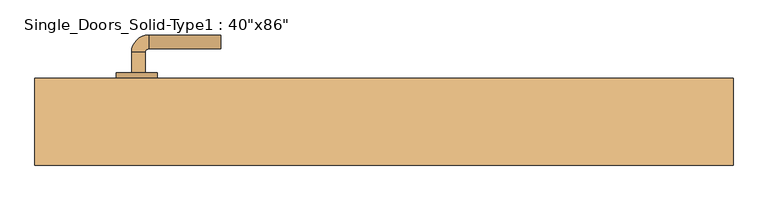
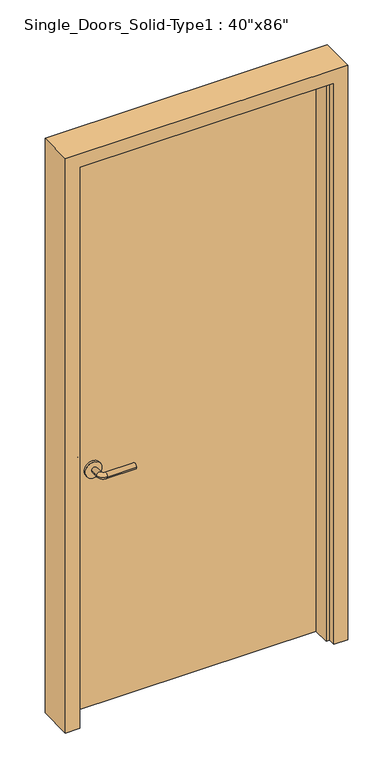
"""IFC4 building model written with IfcOpenShell, lengths in millimetres: door geometry."""

from ifc_helpers import new_model, si_unit, point, frame, frame_2d, origin, origin_with_axes, place, context, project, spatial, polyline, circle_curve, ellipse_curve, trimmed, segment, composite_curve, outline, extrude, faceted_brep, source, transform, mapped, element, save
from ifc_brep_helpers import plane_surface, cylinder_surface, revolved_surface, advanced_brep


def door_15502527(model_context):
    return source(origin(), model_context, "Body", "SolidModel", [
        advanced_brep(
        [(-367.2, 17.4, 900.0), (-347.2, 17.4, 900.0), (-347.2, -12.6, 900.0), (-367.2, -12.6, 900.0), (-342.2, -17.6, 900.0), (-342.2, -37.6, 900.0), (-237.2, -37.6, 900.0), (-237.2, -17.6, 900.0)],
        [
            (0, 1, circle_curve(frame((-357.2, 17.4, 900.0), z_axis=(0.0, 1.0, 0.0), x_axis=(1.0, 0.0, 0.0)), 10.0)),
            (1, 0, circle_curve(frame((-357.2, 17.4, 900.0), z_axis=(0.0, 1.0, 0.0), x_axis=(1.0, 0.0, 0.0)), 10.0)),
            (1, 2),
            (2, 3, circle_curve(frame((-357.2, -12.6, 900.0), z_axis=(0.0, 1.0, 0.0), x_axis=(1.0, 0.0, 0.0)), 10.0)),
            (3, 0),
            (3, 2, circle_curve(frame((-357.2, -12.6, 900.0), z_axis=(0.0, 1.0, 0.0), x_axis=(1.0, 0.0, 0.0)), 10.0)),
            (4, 5, circle_curve(frame((-342.2, -27.6, 900.0), z_axis=(-1.0, 0.0, 0.0), x_axis=(0.0, 1.0, 0.0)), 10.0)),
            (5, 3, circle_curve(frame((-342.2, -12.6, 900.0), z_axis=(0.0, 0.0, -1.0), x_axis=(-1.0, 0.0, 0.0)), 25.0)),
            (2, 4, circle_curve(frame((-342.2, -12.6, 900.0), z_axis=(0.0, 0.0, 1.0), x_axis=(-1.0, 0.0, 0.0)), 5.0)),
            (5, 4, circle_curve(frame((-342.2, -27.6, 900.0), z_axis=(-1.0, 0.0, 0.0), x_axis=(0.0, 1.0, 0.0)), 10.0)),
            (6, 7, circle_curve(frame((-237.2, -27.6, 900.0), z_axis=(1.0, 0.0, 0.0), x_axis=(0.0, 1.0, 0.0)), 10.0)),
            (7, 6, circle_curve(frame((-237.2, -27.6, 900.0), z_axis=(1.0, 0.0, 0.0), x_axis=(0.0, 1.0, 0.0)), 10.0)),
            (4, 7),
            (6, 5),
        ],
        [
            plane_surface(frame((-357.2, 17.4, 900.0), z_axis=(0.0, 1.0, 0.0), x_axis=(0.0, 0.0, 1.0))),
            cylinder_surface(frame((-357.2, 17.4, 900.0), z_axis=(0.0, 1.0, 0.0), x_axis=(1.0, 0.0, 0.0)), 10.0),
            revolved_surface(trimmed(ellipse_curve(frame((-357.2, -12.6, 900.0), z_axis=(0.0, -1.0, 0.0), x_axis=(1.0, 0.0, 0.0)), 10.0, 10.0), [point((-367.2, -12.6, 900.0))], [point((-347.2, -12.6, 900.0))], True, "CARTESIAN"), (-342.2, -12.6, 900.0), (0.0, 0.0, -1.0)),
            revolved_surface(trimmed(ellipse_curve(frame((-357.2, -12.6, 900.0), z_axis=(0.0, -1.0, 0.0), x_axis=(1.0, 0.0, 0.0)), 10.0, 10.0), [point((-347.2, -12.6, 900.0))], [point((-367.2, -12.6, 900.0))], True, "CARTESIAN"), (-342.2, -12.6, 900.0), (0.0, 0.0, -1.0)),
            plane_surface(frame((-237.2, -27.6, 900.0), z_axis=(1.0, 0.0, 0.0), x_axis=(0.0, 0.0, 1.0))),
            cylinder_surface(frame((-342.2, -27.6, 900.0), z_axis=(-1.0, 0.0, 0.0), x_axis=(0.0, 1.0, 0.0)), 10.0),
        ],
        [
            (0, [[1, 2]]),
            (1, [[3, 4, 5, -2]]),
            (1, [[-5, 6, -3, -1]]),
            (2, [[7, 8, -4, 9]]),
            (3, [[10, -9, -6, -8]]),
            (4, [[11, 12]]),
            (5, [[13, -11, 14, -7]]),
            (5, [[-14, -12, -13, -10]]),
        ],
    ),
        extrude(outline(composite_curve([segment(trimmed(circle_curve(frame_2d((900.0, -359.7)), 30.0), [point((900.0, -389.7))], [point((900.0, -329.7))], False, "CARTESIAN"), True, "CONTINUOUS"), segment(trimmed(circle_curve(frame_2d((900.0, -359.7)), 30.0), [point((900.0, -329.7))], [point((900.0, -389.7))], False, "CARTESIAN"), True, "CONTINUOUS")], self_intersect=False)), frame((0.0, 17.4, 0.0), z_axis=(0.0, 1.0, 0.0), x_axis=(0.0, 0.0, 1.0)), (0.0, 0.0, 1.0), 8.0),
        advanced_brep(
        [(-367.2, 71.5, 900.0), (-347.2, 71.5, 900.0), (-367.2, 101.5, 900.0), (-347.2, 101.5, 900.0), (-342.2, 106.5, 900.0), (-342.2, 126.5, 900.0), (-237.2, 126.5, 900.0), (-237.2, 106.5, 900.0)],
        [
            (0, 1, circle_curve(frame((-357.2, 71.5, 900.0), z_axis=(0.0, -1.0, 0.0), x_axis=(1.0, 0.0, 0.0)), 10.0)),
            (1, 0, circle_curve(frame((-357.2, 71.5, 900.0), z_axis=(0.0, -1.0, 0.0), x_axis=(1.0, 0.0, 0.0)), 10.0)),
            (0, 2),
            (2, 3, circle_curve(frame((-357.2, 101.5, 900.0), z_axis=(0.0, -1.0, 0.0), x_axis=(1.0, 0.0, 0.0)), 10.0)),
            (3, 1),
            (3, 2, circle_curve(frame((-357.2, 101.5, 900.0), z_axis=(0.0, -1.0, 0.0), x_axis=(1.0, 0.0, 0.0)), 10.0)),
            (4, 3, circle_curve(frame((-342.2, 101.5, 900.0), z_axis=(0.0, 0.0, 1.0), x_axis=(-1.0, 0.0, 0.0)), 5.0)),
            (2, 5, circle_curve(frame((-342.2, 101.5, 900.0), z_axis=(0.0, 0.0, -1.0), x_axis=(-1.0, 0.0, 0.0)), 25.0)),
            (5, 4, circle_curve(frame((-342.2, 116.5, 900.0), z_axis=(-1.0, 0.0, 0.0), x_axis=(0.0, -1.0, 0.0)), 10.0)),
            (4, 5, circle_curve(frame((-342.2, 116.5, 900.0), z_axis=(-1.0, 0.0, 0.0), x_axis=(0.0, -1.0, 0.0)), 10.0)),
            (6, 7, circle_curve(frame((-237.2, 116.5, 900.0), z_axis=(1.0, 0.0, 0.0), x_axis=(0.0, -1.0, 0.0)), 10.0)),
            (7, 6, circle_curve(frame((-237.2, 116.5, 900.0), z_axis=(1.0, 0.0, 0.0), x_axis=(0.0, -1.0, 0.0)), 10.0)),
            (5, 6),
            (7, 4),
        ],
        [
            plane_surface(frame((-357.2, 71.5, 900.0), z_axis=(0.0, -1.0, 0.0), x_axis=(0.0, 0.0, 1.0))),
            cylinder_surface(frame((-357.2, 71.5, 900.0), z_axis=(0.0, -1.0, 0.0), x_axis=(1.0, 0.0, 0.0)), 10.0),
            revolved_surface(trimmed(ellipse_curve(frame((-357.2, 101.5, 900.0), z_axis=(0.0, -1.0, 0.0), x_axis=(1.0, 0.0, 0.0)), 10.0, 10.0), [point((-367.2, 101.5, 900.0))], [point((-347.2, 101.5, 900.0))], True, "CARTESIAN"), (-342.2, 101.5, 900.0), (0.0, 0.0, -1.0)),
            revolved_surface(trimmed(ellipse_curve(frame((-357.2, 101.5, 900.0), z_axis=(0.0, -1.0, 0.0), x_axis=(1.0, 0.0, 0.0)), 10.0, 10.0), [point((-347.2, 101.5, 900.0))], [point((-367.2, 101.5, 900.0))], True, "CARTESIAN"), (-342.2, 101.5, 900.0), (0.0, 0.0, -1.0)),
            plane_surface(frame((-237.2, 116.5, 900.0), z_axis=(1.0, 0.0, 0.0), x_axis=(0.0, 0.0, 1.0))),
            cylinder_surface(frame((-342.2, 116.5, 900.0), z_axis=(-1.0, 0.0, 0.0), x_axis=(0.0, -1.0, 0.0)), 10.0),
        ],
        [
            (0, [[1, 2]]),
            (1, [[-1, 3, 4, 5]]),
            (1, [[-2, -5, 6, -3]]),
            (2, [[7, -4, 8, 9]]),
            (3, [[-8, -6, -7, 10]]),
            (4, [[11, 12]]),
            (5, [[-9, 13, -12, 14]]),
            (5, [[-10, -14, -11, -13]]),
        ],
    ),
        extrude(outline(composite_curve([segment(trimmed(circle_curve(frame_2d((900.0, -359.7)), 30.0), [point((900.0, -389.7))], [point((900.0, -329.7))], False, "CARTESIAN"), True, "CONTINUOUS"), segment(trimmed(circle_curve(frame_2d((900.0, -359.7)), 30.0), [point((900.0, -329.7))], [point((900.0, -389.7))], False, "CARTESIAN"), True, "CONTINUOUS")], self_intersect=False)), frame((0.0, 63.5, 0.0), z_axis=(0.0, 1.0, 0.0), x_axis=(0.0, 0.0, 1.0)), (0.0, 0.0, 1.0), 8.0),
        faceted_brep([(-508.0, -63.5, 0.0), (-508.0, 63.5, 0.0), (-457.2, 63.5, 0.0), (-457.2, 25.4, 0.0), (-444.5, 25.4, 0.0), (-444.5, -38.1, 0.0), (-457.2, -38.1, 0.0), (-457.2, -63.5, 0.0), (-508.0, -63.5, 2184.4), (-508.0, 63.5, 2184.4), (508.0, 63.5, 2184.4), (508.0, 63.5, 0.0), (457.2, 63.5, 0.0), (457.2, 63.5, 2133.6), (-457.2, 63.5, 2133.6), (-457.2, 25.4, 2133.6), (457.2, 25.4, 2133.6), (457.2, 25.4, 0.0), (444.5, 25.4, 0.0), (444.5, 25.4, 2120.9), (-444.5, 25.4, 2120.9), (-444.5, -38.1, 2120.9), (444.5, -38.1, 2120.9), (444.5, -38.1, 0.0), (457.2, -38.1, 0.0), (457.2, -38.1, 2133.6), (-457.2, -38.1, 2133.6), (-457.2, -63.5, 2133.6), (457.2, -63.5, 2133.6), (457.2, -63.5, 0.0), (508.0, -63.5, 0.0), (508.0, -63.5, 2184.4)], [[[0, 1, 2, 3, 4, 5, 6, 7]], [[1, 0, 8, 9]], [[2, 1, 9, 10, 11, 12, 13, 14]], [[3, 2, 14, 15]], [[4, 3, 15, 16, 17, 18, 19, 20]], [[5, 4, 20, 21]], [[6, 5, 21, 22, 23, 24, 25, 26]], [[7, 6, 26, 27]], [[0, 7, 27, 28, 29, 30, 31, 8]], [[10, 31, 30, 11]], [[30, 29, 24, 23, 18, 17, 12, 11]], [[16, 13, 12, 17]], [[22, 19, 18, 23]], [[28, 25, 24, 29]], [[9, 8, 31, 10]], [[15, 14, 13, 16]], [[21, 20, 19, 22]], [[27, 26, 25, 28]]]),
        extrude(outline(polyline([(457.2, 25.4), (-457.2, 25.4), (-457.2, 63.5), (457.2, 63.5), (457.2, 25.4)])), origin_with_axes(), (0.0, 0.0, 1.0), 2133.6),
    ])


if __name__ == "__main__":
    model = new_model("IFC4")
    model_context = context("Model", 3, world=origin())
    ifc_project = project(units=[si_unit("LENGTHUNIT", "METRE", prefix="MILLI")], contexts=[model_context])
    site = spatial("IfcSite", under=ifc_project)
    building = spatial("IfcBuilding", under=site)
    placement = place(None, origin())
    door_shape = door_15502527(model_context)
    element("IfcDoor", 1, ObjectType="Single_Doors_Solid-Type1 : 40\"x86\"", at=placement, inside=building, context=model_context, shape_type="MappedRepresentation", body=[
        mapped(door_shape, transform((0.0, 0.0, 0.0), x_axis=(1.0, 0.0, 0.0), y_axis=(0.0, 1.0, 0.0), z_axis=(0.0, 0.0, 1.0))),
    ])
    save(model, "model.ifc")
